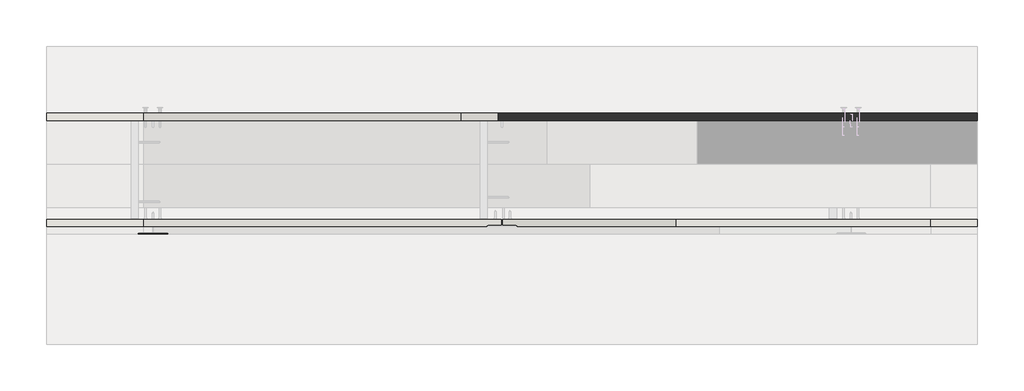
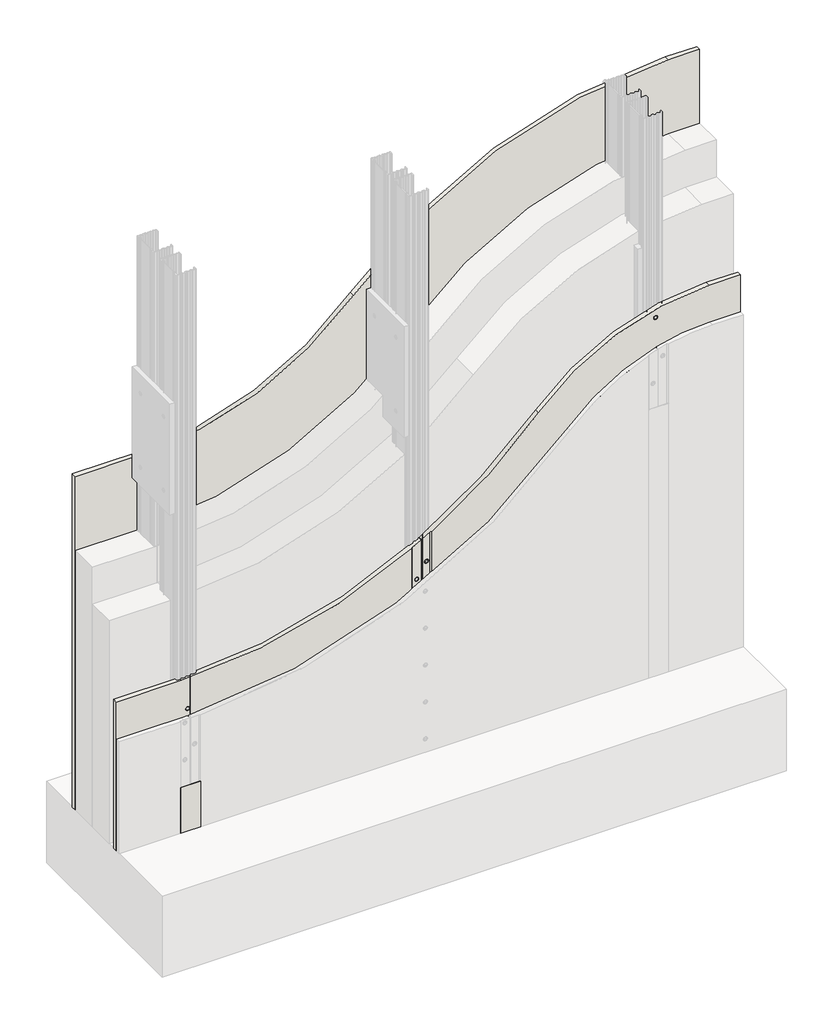
# One storey, part 1 of 4: 3 walls.
"""IFC4 building model written with IfcOpenShell, lengths in millimetres."""

from ifc_helpers import new_model, si_unit, point, frame, frame_2d, origin, origin_with_axes, place, context, project, spatial, polyline, circle_curve, ellipse_curve, trimmed, segment, composite_curve, outline, extrude, element, save
from ifc_brep_helpers import plane_surface, cylinder_surface, revolved_surface, advanced_brep

model = new_model("IFC4")

# Units and contexts
model_context = context("Model", 3, world=origin())
ifc_project = project(units=[si_unit("LENGTHUNIT", "METRE", prefix="MILLI")], contexts=[model_context])

# Site, building, storey
site = spatial("IfcSite", under=ifc_project)
building = spatial("IfcBuilding", under=site)
storey = spatial("IfcBuildingStorey", under=building, Elevation=0.0)

# Walls
placement = place(None, origin())
element("IfcWall", 1, at=placement, inside=storey, context=model_context, shape_type="SweptSolid", body=[
    extrude(outline(composite_curve([segment(polyline([(0.0, 11791.3841513), (0.0, 13391.3841513), (1500.0, 13391.3841513), (1500.0, 13311.3841513)]), True, "CONTINUOUS"), segment(trimmed(circle_curve(frame_2d((405.9831409, 13311.3841513)), 1094.0168591), [point((1500.0, 13311.3841513))], [point((1144.6111292, 12504.3515726))], False, "CARTESIAN"), True, "CONTINUOUS"), segment(trimmed(circle_curve(frame_2d((1639.9763701, 11958.7775955)), 736.9109081), [point((1144.6111292, 12504.3515726))], [point((903.065462, 11958.7775955))], True, "CARTESIAN"), True, "CONTINUOUS"), segment(polyline([(903.065462, 11958.7775955), (903.065462, 11791.3841513), (0.0, 11791.3841513)]), True, "CONTINUOUS")], self_intersect=False)), frame((0.0, 479.643389, 0.0), z_axis=(0.0, 1.0, 0.0), x_axis=(0.0, 0.0, 1.0)), (0.0, 0.0, 1.0), 12.5),
])
element("IfcWall", 2, at=placement, inside=storey, context=model_context, shape_type="AdvancedBrep", body=[
    advanced_brep(
    [(13391.3841513, 297.143389, 0.0), (13391.3841513, 297.143389, 1000.0), (13311.3841513, 297.143389, 1000.0), (12873.6769272, 297.143389, 807.5655296), (12600.3099298, 297.143389, 582.4392036), (12600.3099298, 297.143389, 0.0), (13168.8841513, 297.143389, 960.3704392), (13178.8841513, 297.143389, 960.3704392), (13168.8841513, 297.143389, 860.3704392), (13178.8841513, 297.143389, 860.3704392), (13168.8841513, 297.143389, 760.3704392), (13178.8841513, 297.143389, 760.3704392), (13168.8841513, 297.143389, 660.3704392), (13178.8841513, 297.143389, 660.3704392), (13168.8841513, 297.143389, 560.3704392), (13178.8841513, 297.143389, 560.3704392), (13168.8841513, 297.143389, 460.3704392), (13178.8841513, 297.143389, 460.3704392), (13168.8841513, 297.143389, 360.3704392), (13178.8841513, 297.143389, 360.3704392), (13168.8841513, 297.143389, 260.3704392), (13178.8841513, 297.143389, 260.3704392), (13168.8841513, 297.143389, 160.3704392), (13178.8841513, 297.143389, 160.3704392), (13168.8841513, 297.143389, 60.3704392), (13178.8841513, 297.143389, 60.3704392), (13391.3841513, 309.643389, 1000.0), (13391.3841513, 309.643389, 0.0), (12575.3099298, 309.643389, 0.0), (12575.3099298, 309.643389, 567.6720871), (12873.6769272, 309.643389, 807.5655296), (13311.3841513, 309.643389, 1000.0), (13175.4756328, 309.643389, 960.3704392), (13172.2926697, 309.643389, 960.3704392), (13175.4756328, 309.643389, 860.3704392), (13172.2926697, 309.643389, 860.3704392), (13175.4756328, 309.643389, 760.3704392), (13172.2926697, 309.643389, 760.3704392), (13175.4756328, 309.643389, 660.3704392), (13172.2926697, 309.643389, 660.3704392), (13175.4756328, 309.643389, 560.3704392), (13172.2926697, 309.643389, 560.3704392), (13175.4756328, 309.643389, 460.3704392), (13172.2926697, 309.643389, 460.3704392), (13175.4756328, 309.643389, 360.3704392), (13172.2926697, 309.643389, 360.3704392), (13175.4756328, 309.643389, 260.3704392), (13172.2926697, 309.643389, 260.3704392), (13175.4756328, 309.643389, 160.3704392), (13172.2926697, 309.643389, 160.3704392), (13175.4756328, 309.643389, 60.3704392), (13172.2926697, 309.643389, 60.3704392), (12586.174229, 309.643389, 504.1645331), (12589.4854041, 309.643389, 504.1645331), (12600.3099298, 298.143389, 0.0), (12597.154, 299.643389, 0.0), (12575.3099298, 299.643389, 0.0), (12575.3099298, 299.643389, 567.6720871), (12597.154, 299.643389, 580.5311564), (12600.3099298, 298.143389, 582.4392036), (12592.8298166, 299.643389, 504.1645331), (12582.8298166, 299.643389, 504.1645331), (13172.0185432, 298.9530311, 960.3704392), (13175.7497593, 298.9530311, 960.3704392), (13172.0185432, 298.9530311, 860.3704392), (13175.7497593, 298.9530311, 860.3704392), (13172.0185432, 298.9530311, 760.3704392), (13175.7497593, 298.9530311, 760.3704392), (13172.0185432, 298.9530311, 660.3704392), (13175.7497593, 298.9530311, 660.3704392), (13172.0185432, 298.9530311, 560.3704392), (13175.7497593, 298.9530311, 560.3704392), (13172.0185432, 298.9530311, 460.3704392), (13175.7497593, 298.9530311, 460.3704392), (13172.0185432, 298.9530311, 360.3704392), (13175.7497593, 298.9530311, 360.3704392), (13172.0185432, 298.9530311, 260.3704392), (13175.7497593, 298.9530311, 260.3704392), (13172.0185432, 298.9530311, 160.3704392), (13175.7497593, 298.9530311, 160.3704392), (13172.0185432, 298.9530311, 60.3704392), (13175.7497593, 298.9530311, 60.3704392), (12589.6954246, 301.4530311, 504.1645331), (12585.9642085, 301.4530311, 504.1645331)],
    [
        (0, 1),
        (1, 2),
        (2, 3, circle_curve(frame((13311.3841513, 297.143389, 405.9831409), z_axis=(0.0, -1.0, 0.0), x_axis=(-1.0, 0.0, 0.0)), 594.0168591)),
        (3, 4, circle_curve(frame((11958.7775955, 297.143389, 1639.9763701), z_axis=(0.0, 1.0, 0.0), x_axis=(-1.0, 0.0, 0.0)), 1236.9109081)),
        (4, 5),
        (5, 0),
        (6, 7, circle_curve(frame((13173.8841513, 297.143389, 960.3704392), z_axis=(0.0, 1.0, 0.0), x_axis=(1.0, 0.0, 0.0)), 5.0)),
        (7, 6, circle_curve(frame((13173.8841513, 297.143389, 960.3704392), z_axis=(0.0, 1.0, 0.0), x_axis=(1.0, 0.0, 0.0)), 5.0)),
        (8, 9, circle_curve(frame((13173.8841513, 297.143389, 860.3704392), z_axis=(0.0, 1.0, 0.0), x_axis=(1.0, 0.0, 0.0)), 5.0)),
        (9, 8, circle_curve(frame((13173.8841513, 297.143389, 860.3704392), z_axis=(0.0, 1.0, 0.0), x_axis=(1.0, 0.0, 0.0)), 5.0)),
        (10, 11, circle_curve(frame((13173.8841513, 297.143389, 760.3704392), z_axis=(0.0, 1.0, 0.0), x_axis=(1.0, 0.0, 0.0)), 5.0)),
        (11, 10, circle_curve(frame((13173.8841513, 297.143389, 760.3704392), z_axis=(0.0, 1.0, 0.0), x_axis=(1.0, 0.0, 0.0)), 5.0)),
        (12, 13, circle_curve(frame((13173.8841513, 297.143389, 660.3704392), z_axis=(0.0, 1.0, 0.0), x_axis=(1.0, 0.0, 0.0)), 5.0)),
        (13, 12, circle_curve(frame((13173.8841513, 297.143389, 660.3704392), z_axis=(0.0, 1.0, 0.0), x_axis=(1.0, 0.0, 0.0)), 5.0)),
        (14, 15, circle_curve(frame((13173.8841513, 297.143389, 560.3704392), z_axis=(0.0, 1.0, 0.0), x_axis=(1.0, 0.0, 0.0)), 5.0)),
        (15, 14, circle_curve(frame((13173.8841513, 297.143389, 560.3704392), z_axis=(0.0, 1.0, 0.0), x_axis=(1.0, 0.0, 0.0)), 5.0)),
        (16, 17, circle_curve(frame((13173.8841513, 297.143389, 460.3704392), z_axis=(0.0, 1.0, 0.0), x_axis=(1.0, 0.0, 0.0)), 5.0)),
        (17, 16, circle_curve(frame((13173.8841513, 297.143389, 460.3704392), z_axis=(0.0, 1.0, 0.0), x_axis=(1.0, 0.0, 0.0)), 5.0)),
        (18, 19, circle_curve(frame((13173.8841513, 297.143389, 360.3704392), z_axis=(0.0, 1.0, 0.0), x_axis=(1.0, 0.0, 0.0)), 5.0)),
        (19, 18, circle_curve(frame((13173.8841513, 297.143389, 360.3704392), z_axis=(0.0, 1.0, 0.0), x_axis=(1.0, 0.0, 0.0)), 5.0)),
        (20, 21, circle_curve(frame((13173.8841513, 297.143389, 260.3704392), z_axis=(0.0, 1.0, 0.0), x_axis=(1.0, 0.0, 0.0)), 5.0)),
        (21, 20, circle_curve(frame((13173.8841513, 297.143389, 260.3704392), z_axis=(0.0, 1.0, 0.0), x_axis=(1.0, 0.0, 0.0)), 5.0)),
        (22, 23, circle_curve(frame((13173.8841513, 297.143389, 160.3704392), z_axis=(0.0, 1.0, 0.0), x_axis=(1.0, 0.0, 0.0)), 5.0)),
        (23, 22, circle_curve(frame((13173.8841513, 297.143389, 160.3704392), z_axis=(0.0, 1.0, 0.0), x_axis=(1.0, 0.0, 0.0)), 5.0)),
        (24, 25, circle_curve(frame((13173.8841513, 297.143389, 60.3704392), z_axis=(0.0, 1.0, 0.0), x_axis=(1.0, 0.0, 0.0)), 5.0)),
        (25, 24, circle_curve(frame((13173.8841513, 297.143389, 60.3704392), z_axis=(0.0, 1.0, 0.0), x_axis=(1.0, 0.0, 0.0)), 5.0)),
        (26, 27),
        (27, 28),
        (28, 29),
        (29, 30, circle_curve(frame((11958.7775955, 309.643389, 1639.9763701), z_axis=(0.0, -1.0, 0.0), x_axis=(-1.0, 0.0, 0.0)), 1236.9109081)),
        (30, 31, circle_curve(frame((13311.3841513, 309.643389, 405.9831409), z_axis=(0.0, 1.0, 0.0), x_axis=(-1.0, 0.0, 0.0)), 594.0168591)),
        (31, 26),
        (32, 33, circle_curve(frame((13173.8841513, 309.643389, 960.3704392), z_axis=(0.0, -1.0, 0.0), x_axis=(1.0, 0.0, 0.0)), 1.5914815)),
        (33, 32, circle_curve(frame((13173.8841513, 309.643389, 960.3704392), z_axis=(0.0, -1.0, 0.0), x_axis=(1.0, 0.0, 0.0)), 1.5914815)),
        (34, 35, circle_curve(frame((13173.8841513, 309.643389, 860.3704392), z_axis=(0.0, -1.0, 0.0), x_axis=(1.0, 0.0, 0.0)), 1.5914815)),
        (35, 34, circle_curve(frame((13173.8841513, 309.643389, 860.3704392), z_axis=(0.0, -1.0, 0.0), x_axis=(1.0, 0.0, 0.0)), 1.5914815)),
        (36, 37, circle_curve(frame((13173.8841513, 309.643389, 760.3704392), z_axis=(0.0, -1.0, 0.0), x_axis=(1.0, 0.0, 0.0)), 1.5914815)),
        (37, 36, circle_curve(frame((13173.8841513, 309.643389, 760.3704392), z_axis=(0.0, -1.0, 0.0), x_axis=(1.0, 0.0, 0.0)), 1.5914815)),
        (38, 39, circle_curve(frame((13173.8841513, 309.643389, 660.3704392), z_axis=(0.0, -1.0, 0.0), x_axis=(1.0, 0.0, 0.0)), 1.5914815)),
        (39, 38, circle_curve(frame((13173.8841513, 309.643389, 660.3704392), z_axis=(0.0, -1.0, 0.0), x_axis=(1.0, 0.0, 0.0)), 1.5914815)),
        (40, 41, circle_curve(frame((13173.8841513, 309.643389, 560.3704392), z_axis=(0.0, -1.0, 0.0), x_axis=(1.0, 0.0, 0.0)), 1.5914815)),
        (41, 40, circle_curve(frame((13173.8841513, 309.643389, 560.3704392), z_axis=(0.0, -1.0, 0.0), x_axis=(1.0, 0.0, 0.0)), 1.5914815)),
        (42, 43, circle_curve(frame((13173.8841513, 309.643389, 460.3704392), z_axis=(0.0, -1.0, 0.0), x_axis=(1.0, 0.0, 0.0)), 1.5914815)),
        (43, 42, circle_curve(frame((13173.8841513, 309.643389, 460.3704392), z_axis=(0.0, -1.0, 0.0), x_axis=(1.0, 0.0, 0.0)), 1.5914815)),
        (44, 45, circle_curve(frame((13173.8841513, 309.643389, 360.3704392), z_axis=(0.0, -1.0, 0.0), x_axis=(1.0, 0.0, 0.0)), 1.5914815)),
        (45, 44, circle_curve(frame((13173.8841513, 309.643389, 360.3704392), z_axis=(0.0, -1.0, 0.0), x_axis=(1.0, 0.0, 0.0)), 1.5914815)),
        (46, 47, circle_curve(frame((13173.8841513, 309.643389, 260.3704392), z_axis=(0.0, -1.0, 0.0), x_axis=(1.0, 0.0, 0.0)), 1.5914815)),
        (47, 46, circle_curve(frame((13173.8841513, 309.643389, 260.3704392), z_axis=(0.0, -1.0, 0.0), x_axis=(1.0, 0.0, 0.0)), 1.5914815)),
        (48, 49, circle_curve(frame((13173.8841513, 309.643389, 160.3704392), z_axis=(0.0, -1.0, 0.0), x_axis=(1.0, 0.0, 0.0)), 1.5914815)),
        (49, 48, circle_curve(frame((13173.8841513, 309.643389, 160.3704392), z_axis=(0.0, -1.0, 0.0), x_axis=(1.0, 0.0, 0.0)), 1.5914815)),
        (50, 51, circle_curve(frame((13173.8841513, 309.643389, 60.3704392), z_axis=(0.0, -1.0, 0.0), x_axis=(1.0, 0.0, 0.0)), 1.5914815)),
        (51, 50, circle_curve(frame((13173.8841513, 309.643389, 60.3704392), z_axis=(0.0, -1.0, 0.0), x_axis=(1.0, 0.0, 0.0)), 1.5914815)),
        (52, 53, circle_curve(frame((12587.8298166, 309.643389, 504.1645331), z_axis=(0.0, -1.0, 0.0), x_axis=(-1.0, 0.0, 0.0)), 1.6555876)),
        (53, 52, circle_curve(frame((12587.8298166, 309.643389, 504.1645331), z_axis=(0.0, -1.0, 0.0), x_axis=(-1.0, 0.0, 0.0)), 1.6555876)),
        (27, 0),
        (5, 54),
        (54, 55),
        (55, 56),
        (56, 28),
        (26, 1),
        (31, 2),
        (30, 3),
        (29, 57),
        (57, 58, circle_curve(frame((11958.7775955, 299.643389, 1639.9763701), z_axis=(0.0, -1.0, 0.0), x_axis=(-1.0, 0.0, 0.0)), 1236.9109081)),
        (58, 59, ellipse_curve(frame((11958.7775955, 603.0609743, 1639.9763701), z_axis=(-0.42927473522914233, -0.9031739598183451, 0.0), x_axis=(-0.903173959818345, 0.42927473522914233, 0.0)), 1369.5156893, 1236.9109081)),
        (59, 4),
        (59, 54),
        (58, 55),
        (57, 56),
        (60, 61, circle_curve(frame((12587.8298166, 299.643389, 504.1645331), z_axis=(0.0, 1.0, 0.0), x_axis=(-1.0, 0.0, 0.0)), 5.0)),
        (61, 60, circle_curve(frame((12587.8298166, 299.643389, 504.1645331), z_axis=(0.0, 1.0, 0.0), x_axis=(-1.0, 0.0, 0.0)), 5.0)),
        (6, 62),
        (62, 63, circle_curve(frame((13173.8841513, 298.9530311, 960.3704392), z_axis=(0.0, 1.0, 0.0), x_axis=(1.0, 0.0, 0.0)), 1.865608)),
        (63, 7),
        (63, 62, circle_curve(frame((13173.8841513, 298.9530311, 960.3704392), z_axis=(0.0, 1.0, 0.0), x_axis=(1.0, 0.0, 0.0)), 1.865608)),
        (62, 33),
        (32, 63),
        (8, 64),
        (64, 65, circle_curve(frame((13173.8841513, 298.9530311, 860.3704392), z_axis=(0.0, 1.0, 0.0), x_axis=(1.0, 0.0, 0.0)), 1.865608)),
        (65, 9),
        (65, 64, circle_curve(frame((13173.8841513, 298.9530311, 860.3704392), z_axis=(0.0, 1.0, 0.0), x_axis=(1.0, 0.0, 0.0)), 1.865608)),
        (64, 35),
        (34, 65),
        (10, 66),
        (66, 67, circle_curve(frame((13173.8841513, 298.9530311, 760.3704392), z_axis=(0.0, 1.0, 0.0), x_axis=(1.0, 0.0, 0.0)), 1.865608)),
        (67, 11),
        (67, 66, circle_curve(frame((13173.8841513, 298.9530311, 760.3704392), z_axis=(0.0, 1.0, 0.0), x_axis=(1.0, 0.0, 0.0)), 1.865608)),
        (66, 37),
        (36, 67),
        (12, 68),
        (68, 69, circle_curve(frame((13173.8841513, 298.9530311, 660.3704392), z_axis=(0.0, 1.0, 0.0), x_axis=(1.0, 0.0, 0.0)), 1.865608)),
        (69, 13),
        (69, 68, circle_curve(frame((13173.8841513, 298.9530311, 660.3704392), z_axis=(0.0, 1.0, 0.0), x_axis=(1.0, 0.0, 0.0)), 1.865608)),
        (68, 39),
        (38, 69),
        (14, 70),
        (70, 71, circle_curve(frame((13173.8841513, 298.9530311, 560.3704392), z_axis=(0.0, 1.0, 0.0), x_axis=(1.0, 0.0, 0.0)), 1.865608)),
        (71, 15),
        (71, 70, circle_curve(frame((13173.8841513, 298.9530311, 560.3704392), z_axis=(0.0, 1.0, 0.0), x_axis=(1.0, 0.0, 0.0)), 1.865608)),
        (70, 41),
        (40, 71),
        (16, 72),
        (72, 73, circle_curve(frame((13173.8841513, 298.9530311, 460.3704392), z_axis=(0.0, 1.0, 0.0), x_axis=(1.0, 0.0, 0.0)), 1.865608)),
        (73, 17),
        (73, 72, circle_curve(frame((13173.8841513, 298.9530311, 460.3704392), z_axis=(0.0, 1.0, 0.0), x_axis=(1.0, 0.0, 0.0)), 1.865608)),
        (72, 43),
        (42, 73),
        (18, 74),
        (74, 75, circle_curve(frame((13173.8841513, 298.9530311, 360.3704392), z_axis=(0.0, 1.0, 0.0), x_axis=(1.0, 0.0, 0.0)), 1.865608)),
        (75, 19),
        (75, 74, circle_curve(frame((13173.8841513, 298.9530311, 360.3704392), z_axis=(0.0, 1.0, 0.0), x_axis=(1.0, 0.0, 0.0)), 1.865608)),
        (74, 45),
        (44, 75),
        (20, 76),
        (76, 77, circle_curve(frame((13173.8841513, 298.9530311, 260.3704392), z_axis=(0.0, 1.0, 0.0), x_axis=(1.0, 0.0, 0.0)), 1.865608)),
        (77, 21),
        (77, 76, circle_curve(frame((13173.8841513, 298.9530311, 260.3704392), z_axis=(0.0, 1.0, 0.0), x_axis=(1.0, 0.0, 0.0)), 1.865608)),
        (76, 47),
        (46, 77),
        (22, 78),
        (78, 79, circle_curve(frame((13173.8841513, 298.9530311, 160.3704392), z_axis=(0.0, 1.0, 0.0), x_axis=(1.0, 0.0, 0.0)), 1.865608)),
        (79, 23),
        (79, 78, circle_curve(frame((13173.8841513, 298.9530311, 160.3704392), z_axis=(0.0, 1.0, 0.0), x_axis=(1.0, 0.0, 0.0)), 1.865608)),
        (78, 49),
        (48, 79),
        (24, 80),
        (80, 81, circle_curve(frame((13173.8841513, 298.9530311, 60.3704392), z_axis=(0.0, 1.0, 0.0), x_axis=(1.0, 0.0, 0.0)), 1.865608)),
        (81, 25),
        (81, 80, circle_curve(frame((13173.8841513, 298.9530311, 60.3704392), z_axis=(0.0, 1.0, 0.0), x_axis=(1.0, 0.0, 0.0)), 1.865608)),
        (80, 51),
        (50, 81),
        (60, 82),
        (82, 83, circle_curve(frame((12587.8298166, 301.4530311, 504.1645331), z_axis=(0.0, 1.0, 0.0), x_axis=(-1.0, 0.0, 0.0)), 1.865608)),
        (83, 61),
        (83, 82, circle_curve(frame((12587.8298166, 301.4530311, 504.1645331), z_axis=(0.0, 1.0, 0.0), x_axis=(-1.0, 0.0, 0.0)), 1.865608)),
        (82, 53),
        (52, 83),
    ],
    [
        plane_surface(frame((11791.3841513, 297.143389, 0.0), z_axis=(0.0, -1.0, 0.0), x_axis=(1.0, 0.0, 0.0))),
        plane_surface(frame((11791.3841513, 309.643389, 0.0), z_axis=(0.0, 1.0, 0.0), x_axis=(-1.0, 0.0, 0.0))),
        plane_surface(frame((11791.3841513, 297.143389, 0.0), z_axis=(0.0, 0.0, -1.0), x_axis=(0.0, 1.0, 0.0))),
        plane_surface(frame((13391.3841513, 297.143389, 0.0), z_axis=(1.0, 0.0, 0.0), x_axis=(0.0, 1.0, 0.0))),
        plane_surface(frame((13391.3841513, 297.143389, 1000.0), z_axis=(0.0, 0.0, 1.0), x_axis=(0.0, 1.0, 0.0))),
        cylinder_surface(frame((13311.3841513, 309.643389, 405.9831409), z_axis=(0.0, -1.0, 0.0), x_axis=(-1.0, 0.0, 0.0)), 594.0168591),
        revolved_surface(polyline([(10721.8666874, 1190.959459216414, 1639.9763701), (10721.8666874, 15.162489383586149, 1639.9763701)]), (11958.7775955, 309.643389, 1639.9763701), (0.0, 1.0, 0.0)),
        plane_surface(frame((12600.3099298, 297.143389, 1000.0), z_axis=(-1.0, 0.0, 0.0), x_axis=(0.0, 0.0, -1.0))),
        plane_surface(frame((12600.3099298, 298.143389, 1000.0), z_axis=(-0.42927473522914233, -0.9031739598183451, 0.0), x_axis=(0.0, 0.0, -1.0))),
        plane_surface(frame((12597.154, 299.643389, 1000.0), z_axis=(0.0, -1.0, 0.0), x_axis=(0.0, 0.0, -1.0))),
        plane_surface(frame((12575.3099298, 299.643389, 1000.0), z_axis=(-1.0, 0.0, 0.0), x_axis=(0.0, 0.0, -1.0))),
        revolved_surface(polyline([(13178.8841513, 297.143389, 960.3704392), (13175.7497593, 298.9530311, 960.3704392)]), (13173.8841513, 1297.143389, 960.3704392), (0.0, -1.0, 0.0)),
        revolved_surface(polyline([(13175.7497593, 298.9530311, 960.3704392), (13175.1894783, 320.8028125, 960.3704392)]), (13173.8841513, 1297.143389, 960.3704392), (0.0, -1.0, 0.0)),
        revolved_surface(polyline([(13178.8841513, 297.143389, 860.3704392), (13175.7497593, 298.9530311, 860.3704392)]), (13173.8841513, 1297.143389, 860.3704392), (0.0, -1.0, 0.0)),
        revolved_surface(polyline([(13175.7497593, 298.9530311, 860.3704392), (13175.1894783, 320.8028125, 860.3704392)]), (13173.8841513, 1297.143389, 860.3704392), (0.0, -1.0, 0.0)),
        revolved_surface(polyline([(13178.8841513, 297.143389, 760.3704392), (13175.7497593, 298.9530311, 760.3704392)]), (13173.8841513, 1297.143389, 760.3704392), (0.0, -1.0, 0.0)),
        revolved_surface(polyline([(13175.7497593, 298.9530311, 760.3704392), (13175.1894783, 320.8028125, 760.3704392)]), (13173.8841513, 1297.143389, 760.3704392), (0.0, -1.0, 0.0)),
        revolved_surface(polyline([(13178.8841513, 297.143389, 660.3704392), (13175.7497593, 298.9530311, 660.3704392)]), (13173.8841513, 1297.143389, 660.3704392), (0.0, -1.0, 0.0)),
        revolved_surface(polyline([(13175.7497593, 298.9530311, 660.3704392), (13175.1894783, 320.8028125, 660.3704392)]), (13173.8841513, 1297.143389, 660.3704392), (0.0, -1.0, 0.0)),
        revolved_surface(polyline([(13178.8841513, 297.143389, 560.3704392), (13175.7497593, 298.9530311, 560.3704392)]), (13173.8841513, 1297.143389, 560.3704392), (0.0, -1.0, 0.0)),
        revolved_surface(polyline([(13175.7497593, 298.9530311, 560.3704392), (13175.1894783, 320.8028125, 560.3704392)]), (13173.8841513, 1297.143389, 560.3704392), (0.0, -1.0, 0.0)),
        revolved_surface(polyline([(13178.8841513, 297.143389, 460.3704392), (13175.7497593, 298.9530311, 460.3704392)]), (13173.8841513, 1297.143389, 460.3704392), (0.0, -1.0, 0.0)),
        revolved_surface(polyline([(13175.7497593, 298.9530311, 460.3704392), (13175.1894783, 320.8028125, 460.3704392)]), (13173.8841513, 1297.143389, 460.3704392), (0.0, -1.0, 0.0)),
        revolved_surface(polyline([(13178.8841513, 297.143389, 360.3704392), (13175.7497593, 298.9530311, 360.3704392)]), (13173.8841513, 1297.143389, 360.3704392), (0.0, -1.0, 0.0)),
        revolved_surface(polyline([(13175.7497593, 298.9530311, 360.3704392), (13175.1894783, 320.8028125, 360.3704392)]), (13173.8841513, 1297.143389, 360.3704392), (0.0, -1.0, 0.0)),
        revolved_surface(polyline([(13178.8841513, 297.143389, 260.3704392), (13175.7497593, 298.9530311, 260.3704392)]), (13173.8841513, 1297.143389, 260.3704392), (0.0, -1.0, 0.0)),
        revolved_surface(polyline([(13175.7497593, 298.9530311, 260.3704392), (13175.1894783, 320.8028125, 260.3704392)]), (13173.8841513, 1297.143389, 260.3704392), (0.0, -1.0, 0.0)),
        revolved_surface(polyline([(13178.8841513, 297.143389, 160.3704392), (13175.7497593, 298.9530311, 160.3704392)]), (13173.8841513, 1297.143389, 160.3704392), (0.0, -1.0, 0.0)),
        revolved_surface(polyline([(13175.7497593, 298.9530311, 160.3704392), (13175.1894783, 320.8028125, 160.3704392)]), (13173.8841513, 1297.143389, 160.3704392), (0.0, -1.0, 0.0)),
        revolved_surface(polyline([(13178.8841513, 297.143389, 60.3704392), (13175.7497593, 298.9530311, 60.3704392)]), (13173.8841513, 1297.143389, 60.3704392), (0.0, -1.0, 0.0)),
        revolved_surface(polyline([(13175.7497593, 298.9530311, 60.3704392), (13175.1894783, 320.8028125, 60.3704392)]), (13173.8841513, 1297.143389, 60.3704392), (0.0, -1.0, 0.0)),
        revolved_surface(polyline([(12582.8298166, 299.643389, 504.1645331), (12585.9642085, 301.4530311, 504.1645331)]), (12587.8298166, 1299.643389, 504.1645331), (0.0, -1.0, 0.0)),
        revolved_surface(polyline([(12585.9642085, 301.4530311, 504.1645331), (12586.5244895, 323.3028125, 504.1645331)]), (12587.8298166, 1299.643389, 504.1645331), (0.0, -1.0, 0.0)),
    ],
    [
        (0, [[1, 2, 3, 4, 5, 6], [7, 8], [9, 10], [11, 12], [13, 14], [15, 16], [17, 18], [19, 20], [21, 22], [23, 24], [25, 26]]),
        (1, [[27, 28, 29, 30, 31, 32], [33, 34], [35, 36], [37, 38], [39, 40], [41, 42], [43, 44], [45, 46], [47, 48], [49, 50], [51, 52], [53, 54]]),
        (2, [[55, -6, 56, 57, 58, 59, -28]]),
        (3, [[-1, -55, -27, 60]]),
        (4, [[-2, -60, -32, 61]]),
        (5, [[-3, -61, -31, 62]]),
        (6, [[-62, -30, 63, 64, 65, 66, -4]]),
        (7, [[-5, -66, 67, -56]]),
        (8, [[-67, -65, 68, -57]]),
        (9, [[-68, -64, 69, -58], [70, 71]]),
        (10, [[-29, -59, -69, -63]]),
        (11, [[72, 73, 74, -7]]),
        (11, [[-72, -8, -74, 75]]),
        (12, [[-73, 76, -33, 77]]),
        (12, [[-75, -77, -34, -76]]),
        (13, [[78, 79, 80, -9]]),
        (13, [[-78, -10, -80, 81]]),
        (14, [[-79, 82, -35, 83]]),
        (14, [[-81, -83, -36, -82]]),
        (15, [[84, 85, 86, -11]]),
        (15, [[-84, -12, -86, 87]]),
        (16, [[-85, 88, -37, 89]]),
        (16, [[-87, -89, -38, -88]]),
        (17, [[90, 91, 92, -13]]),
        (17, [[-90, -14, -92, 93]]),
        (18, [[-91, 94, -39, 95]]),
        (18, [[-93, -95, -40, -94]]),
        (19, [[96, 97, 98, -15]]),
        (19, [[-96, -16, -98, 99]]),
        (20, [[-97, 100, -41, 101]]),
        (20, [[-99, -101, -42, -100]]),
        (21, [[102, 103, 104, -17]]),
        (21, [[-102, -18, -104, 105]]),
        (22, [[-103, 106, -43, 107]]),
        (22, [[-105, -107, -44, -106]]),
        (23, [[108, 109, 110, -19]]),
        (23, [[-108, -20, -110, 111]]),
        (24, [[-109, 112, -45, 113]]),
        (24, [[-111, -113, -46, -112]]),
        (25, [[114, 115, 116, -21]]),
        (25, [[-114, -22, -116, 117]]),
        (26, [[-115, 118, -47, 119]]),
        (26, [[-117, -119, -48, -118]]),
        (27, [[120, 121, 122, -23]]),
        (27, [[-120, -24, -122, 123]]),
        (28, [[-121, 124, -49, 125]]),
        (28, [[-123, -125, -50, -124]]),
        (29, [[126, 127, 128, -25]]),
        (29, [[-126, -26, -128, 129]]),
        (30, [[-127, 130, -51, 131]]),
        (30, [[-129, -131, -52, -130]]),
        (31, [[132, 133, 134, -70]]),
        (31, [[-132, -71, -134, 135]]),
        (32, [[-133, 136, -53, 137]]),
        (32, [[-135, -137, -54, -136]]),
    ],
),
    advanced_brep(
    [(11791.3841513, 297.143389, 403.065462), (11791.3841513, 297.143389, 0.0), (12548.3099298, 297.143389, 0.0), (12548.3099298, 297.143389, 552.5940908), (11958.7775955, 297.143389, 403.065462), (11969.5091513, 297.143389, 321.2712003), (11979.5091513, 297.143389, 321.2712003), (11969.5091513, 297.143389, 221.2712003), (11979.5091513, 297.143389, 221.2712003), (11969.5091513, 297.143389, 121.2712003), (11979.5091513, 297.143389, 121.2712003), (11969.5091513, 297.143389, 21.2712003), (11979.5091513, 297.143389, 21.2712003), (11791.3841513, 309.643389, 0.0), (11791.3841513, 309.643389, 403.065462), (11958.7775955, 309.643389, 403.065462), (12573.3099298, 309.643389, 566.5246457), (12573.3099298, 309.643389, 0.0), (11976.1006328, 309.643389, 321.2712003), (11972.9176697, 309.643389, 321.2712003), (11976.1006328, 309.643389, 221.2712003), (11972.9176697, 309.643389, 221.2712003), (11976.1006328, 309.643389, 121.2712003), (11972.9176697, 309.643389, 121.2712003), (11976.1006328, 309.643389, 21.2712003), (11972.9176697, 309.643389, 21.2712003), (12561.174229, 309.643389, 464.1645331), (12564.4854041, 309.643389, 464.1645331), (12573.3099298, 299.643389, 0.0), (12551.4658596, 299.643389, 0.0), (12548.3099298, 298.143389, 0.0), (12548.3099298, 298.143389, 552.5940908), (12551.4658596, 299.643389, 554.3110367), (12573.3099298, 299.643389, 566.5246457), (12567.8298166, 299.643389, 464.1645331), (12557.8298166, 299.643389, 464.1645331), (11972.6435432, 298.9530311, 321.2712003), (11976.3747593, 298.9530311, 321.2712003), (11972.6435432, 298.9530311, 221.2712003), (11976.3747593, 298.9530311, 221.2712003), (11972.6435432, 298.9530311, 121.2712003), (11976.3747593, 298.9530311, 121.2712003), (11972.6435432, 298.9530311, 21.2712003), (11976.3747593, 298.9530311, 21.2712003), (12564.6954246, 301.4530311, 464.1645331), (12560.9642085, 301.4530311, 464.1645331)],
    [
        (0, 1),
        (1, 2),
        (2, 3),
        (3, 4, circle_curve(frame((11958.7775955, 297.143389, 1639.9763701), z_axis=(0.0, 1.0, 0.0), x_axis=(-1.0, 0.0, 0.0)), 1236.9109081)),
        (4, 0),
        (5, 6, circle_curve(frame((11974.5091513, 297.143389, 321.2712003), z_axis=(0.0, 1.0, 0.0), x_axis=(1.0, 0.0, 0.0)), 5.0)),
        (6, 5, circle_curve(frame((11974.5091513, 297.143389, 321.2712003), z_axis=(0.0, 1.0, 0.0), x_axis=(1.0, 0.0, 0.0)), 5.0)),
        (7, 8, circle_curve(frame((11974.5091513, 297.143389, 221.2712003), z_axis=(0.0, 1.0, 0.0), x_axis=(1.0, 0.0, 0.0)), 5.0)),
        (8, 7, circle_curve(frame((11974.5091513, 297.143389, 221.2712003), z_axis=(0.0, 1.0, 0.0), x_axis=(1.0, 0.0, 0.0)), 5.0)),
        (9, 10, circle_curve(frame((11974.5091513, 297.143389, 121.2712003), z_axis=(0.0, 1.0, 0.0), x_axis=(1.0, 0.0, 0.0)), 5.0)),
        (10, 9, circle_curve(frame((11974.5091513, 297.143389, 121.2712003), z_axis=(0.0, 1.0, 0.0), x_axis=(1.0, 0.0, 0.0)), 5.0)),
        (11, 12, circle_curve(frame((11974.5091513, 297.143389, 21.2712003), z_axis=(0.0, 1.0, 0.0), x_axis=(1.0, 0.0, 0.0)), 5.0)),
        (12, 11, circle_curve(frame((11974.5091513, 297.143389, 21.2712003), z_axis=(0.0, 1.0, 0.0), x_axis=(1.0, 0.0, 0.0)), 5.0)),
        (13, 14),
        (14, 15),
        (15, 16, circle_curve(frame((11958.7775955, 309.643389, 1639.9763701), z_axis=(0.0, -1.0, 0.0), x_axis=(-1.0, 0.0, 0.0)), 1236.9109081)),
        (16, 17),
        (17, 13),
        (18, 19, circle_curve(frame((11974.5091513, 309.643389, 321.2712003), z_axis=(0.0, -1.0, 0.0), x_axis=(1.0, 0.0, 0.0)), 1.5914815)),
        (19, 18, circle_curve(frame((11974.5091513, 309.643389, 321.2712003), z_axis=(0.0, -1.0, 0.0), x_axis=(1.0, 0.0, 0.0)), 1.5914815)),
        (20, 21, circle_curve(frame((11974.5091513, 309.643389, 221.2712003), z_axis=(0.0, -1.0, 0.0), x_axis=(1.0, 0.0, 0.0)), 1.5914815)),
        (21, 20, circle_curve(frame((11974.5091513, 309.643389, 221.2712003), z_axis=(0.0, -1.0, 0.0), x_axis=(1.0, 0.0, 0.0)), 1.5914815)),
        (22, 23, circle_curve(frame((11974.5091513, 309.643389, 121.2712003), z_axis=(0.0, -1.0, 0.0), x_axis=(1.0, 0.0, 0.0)), 1.5914815)),
        (23, 22, circle_curve(frame((11974.5091513, 309.643389, 121.2712003), z_axis=(0.0, -1.0, 0.0), x_axis=(1.0, 0.0, 0.0)), 1.5914815)),
        (24, 25, circle_curve(frame((11974.5091513, 309.643389, 21.2712003), z_axis=(0.0, -1.0, 0.0), x_axis=(1.0, 0.0, 0.0)), 1.5914815)),
        (25, 24, circle_curve(frame((11974.5091513, 309.643389, 21.2712003), z_axis=(0.0, -1.0, 0.0), x_axis=(1.0, 0.0, 0.0)), 1.5914815)),
        (26, 27, circle_curve(frame((12562.8298166, 309.643389, 464.1645331), z_axis=(0.0, -1.0, 0.0), x_axis=(-1.0, 0.0, 0.0)), 1.6555876)),
        (27, 26, circle_curve(frame((12562.8298166, 309.643389, 464.1645331), z_axis=(0.0, -1.0, 0.0), x_axis=(-1.0, 0.0, 0.0)), 1.6555876)),
        (1, 13),
        (17, 28),
        (28, 29),
        (29, 30),
        (30, 2),
        (0, 14),
        (15, 4),
        (3, 31),
        (31, 32, ellipse_curve(frame((11958.7775955, 17.9411821, 1639.9763701), z_axis=(0.42927473523314746, -0.9031739598164416, 0.0), x_axis=(0.9031739598164414, 0.42927473523314735, 0.0)), 1369.5156893, 1236.9109081)),
        (32, 33, circle_curve(frame((11958.7775955, 299.643389, 1639.9763701), z_axis=(0.0, -1.0, 0.0), x_axis=(-1.0, 0.0, 0.0)), 1236.9109081)),
        (33, 16),
        (33, 28),
        (32, 29),
        (34, 35, circle_curve(frame((12562.8298166, 299.643389, 464.1645331), z_axis=(0.0, 1.0, 0.0), x_axis=(-1.0, 0.0, 0.0)), 5.0)),
        (35, 34, circle_curve(frame((12562.8298166, 299.643389, 464.1645331), z_axis=(0.0, 1.0, 0.0), x_axis=(-1.0, 0.0, 0.0)), 5.0)),
        (31, 30),
        (5, 36),
        (36, 37, circle_curve(frame((11974.5091513, 298.9530311, 321.2712003), z_axis=(0.0, 1.0, 0.0), x_axis=(1.0, 0.0, 0.0)), 1.865608)),
        (37, 6),
        (37, 36, circle_curve(frame((11974.5091513, 298.9530311, 321.2712003), z_axis=(0.0, 1.0, 0.0), x_axis=(1.0, 0.0, 0.0)), 1.865608)),
        (36, 19),
        (18, 37),
        (7, 38),
        (38, 39, circle_curve(frame((11974.5091513, 298.9530311, 221.2712003), z_axis=(0.0, 1.0, 0.0), x_axis=(1.0, 0.0, 0.0)), 1.865608)),
        (39, 8),
        (39, 38, circle_curve(frame((11974.5091513, 298.9530311, 221.2712003), z_axis=(0.0, 1.0, 0.0), x_axis=(1.0, 0.0, 0.0)), 1.865608)),
        (38, 21),
        (20, 39),
        (9, 40),
        (40, 41, circle_curve(frame((11974.5091513, 298.9530311, 121.2712003), z_axis=(0.0, 1.0, 0.0), x_axis=(1.0, 0.0, 0.0)), 1.865608)),
        (41, 10),
        (41, 40, circle_curve(frame((11974.5091513, 298.9530311, 121.2712003), z_axis=(0.0, 1.0, 0.0), x_axis=(1.0, 0.0, 0.0)), 1.865608)),
        (40, 23),
        (22, 41),
        (11, 42),
        (42, 43, circle_curve(frame((11974.5091513, 298.9530311, 21.2712003), z_axis=(0.0, 1.0, 0.0), x_axis=(1.0, 0.0, 0.0)), 1.865608)),
        (43, 12),
        (43, 42, circle_curve(frame((11974.5091513, 298.9530311, 21.2712003), z_axis=(0.0, 1.0, 0.0), x_axis=(1.0, 0.0, 0.0)), 1.865608)),
        (42, 25),
        (24, 43),
        (34, 44),
        (44, 45, circle_curve(frame((12562.8298166, 301.4530311, 464.1645331), z_axis=(0.0, 1.0, 0.0), x_axis=(-1.0, 0.0, 0.0)), 1.865608)),
        (45, 35),
        (45, 44, circle_curve(frame((12562.8298166, 301.4530311, 464.1645331), z_axis=(0.0, 1.0, 0.0), x_axis=(-1.0, 0.0, 0.0)), 1.865608)),
        (44, 27),
        (26, 45),
    ],
    [
        plane_surface(frame((11791.3841513, 297.143389, 0.0), z_axis=(0.0, -1.0, 0.0), x_axis=(1.0, 0.0, 0.0))),
        plane_surface(frame((11791.3841513, 309.643389, 0.0), z_axis=(0.0, 1.0, 0.0), x_axis=(-1.0, 0.0, 0.0))),
        plane_surface(frame((11791.3841513, 297.143389, 0.0), z_axis=(0.0, 0.0, -1.0), x_axis=(0.0, 1.0, 0.0))),
        plane_surface(frame((11791.3841513, 297.143389, 403.065462), z_axis=(-1.0, 0.0, 0.0), x_axis=(0.0, 1.0, 0.0))),
        revolved_surface(polyline([(10721.8666874, 605.8396670218988, 1639.9763701), (10721.8666874, -569.9573028218988, 1639.9763701)]), (11958.7775955, 309.643389, 1639.9763701), (0.0, 1.0, 0.0)),
        plane_surface(frame((11958.7775955, 297.143389, 403.065462), z_axis=(0.0, 0.0, 1.0), x_axis=(0.0, 1.0, 0.0))),
        plane_surface(frame((12573.3099298, 309.643389, 1000.0), z_axis=(1.0, 0.0, 0.0), x_axis=(0.0, 0.0, -1.0))),
        plane_surface(frame((12573.3099298, 299.643389, 1000.0), z_axis=(0.0, -1.0, 0.0), x_axis=(0.0, 0.0, -1.0))),
        plane_surface(frame((12551.4658596, 299.643389, 1000.0), z_axis=(0.42927473523314746, -0.9031739598164416, 0.0), x_axis=(0.0, 0.0, -1.0))),
        plane_surface(frame((12548.3099298, 298.143389, 1000.0), z_axis=(1.0, 0.0, 0.0), x_axis=(0.0, 0.0, -1.0))),
        revolved_surface(polyline([(11979.5091513, 297.143389, 321.2712003), (11976.3747593, 298.9530311, 321.2712003)]), (11974.5091513, 1297.143389, 321.2712003), (0.0, -1.0, 0.0)),
        revolved_surface(polyline([(11976.3747593, 298.9530311, 321.2712003), (11975.8144783, 320.8028125, 321.2712003)]), (11974.5091513, 1297.143389, 321.2712003), (0.0, -1.0, 0.0)),
        revolved_surface(polyline([(11979.5091513, 297.143389, 221.2712003), (11976.3747593, 298.9530311, 221.2712003)]), (11974.5091513, 1297.143389, 221.2712003), (0.0, -1.0, 0.0)),
        revolved_surface(polyline([(11976.3747593, 298.9530311, 221.2712003), (11975.8144783, 320.8028125, 221.2712003)]), (11974.5091513, 1297.143389, 221.2712003), (0.0, -1.0, 0.0)),
        revolved_surface(polyline([(11979.5091513, 297.143389, 121.2712003), (11976.3747593, 298.9530311, 121.2712003)]), (11974.5091513, 1297.143389, 121.2712003), (0.0, -1.0, 0.0)),
        revolved_surface(polyline([(11976.3747593, 298.9530311, 121.2712003), (11975.8144783, 320.8028125, 121.2712003)]), (11974.5091513, 1297.143389, 121.2712003), (0.0, -1.0, 0.0)),
        revolved_surface(polyline([(11979.5091513, 297.143389, 21.2712003), (11976.3747593, 298.9530311, 21.2712003)]), (11974.5091513, 1297.143389, 21.2712003), (0.0, -1.0, 0.0)),
        revolved_surface(polyline([(11976.3747593, 298.9530311, 21.2712003), (11975.8144783, 320.8028125, 21.2712003)]), (11974.5091513, 1297.143389, 21.2712003), (0.0, -1.0, 0.0)),
        revolved_surface(polyline([(12557.8298166, 299.643389, 464.1645331), (12560.9642085, 301.4530311, 464.1645331)]), (12562.8298166, 1299.643389, 464.1645331), (0.0, -1.0, 0.0)),
        revolved_surface(polyline([(12560.9642085, 301.4530311, 464.1645331), (12561.5244895, 323.3028125, 464.1645331)]), (12562.8298166, 1299.643389, 464.1645331), (0.0, -1.0, 0.0)),
    ],
    [
        (0, [[1, 2, 3, 4, 5], [6, 7], [8, 9], [10, 11], [12, 13]]),
        (1, [[14, 15, 16, 17, 18], [19, 20], [21, 22], [23, 24], [25, 26], [27, 28]]),
        (2, [[29, -18, 30, 31, 32, 33, -2]]),
        (3, [[-1, 34, -14, -29]]),
        (4, [[35, -4, 36, 37, 38, 39, -16]]),
        (5, [[-5, -35, -15, -34]]),
        (6, [[-17, -39, 40, -30]]),
        (7, [[-40, -38, 41, -31], [42, 43]]),
        (8, [[44, -32, -41, -37]]),
        (9, [[-3, -33, -44, -36]]),
        (10, [[45, 46, 47, -6]]),
        (10, [[-45, -7, -47, 48]]),
        (11, [[-46, 49, -19, 50]]),
        (11, [[-48, -50, -20, -49]]),
        (12, [[51, 52, 53, -8]]),
        (12, [[-51, -9, -53, 54]]),
        (13, [[-52, 55, -21, 56]]),
        (13, [[-54, -56, -22, -55]]),
        (14, [[57, 58, 59, -10]]),
        (14, [[-57, -11, -59, 60]]),
        (15, [[-58, 61, -23, 62]]),
        (15, [[-60, -62, -24, -61]]),
        (16, [[63, 64, 65, -12]]),
        (16, [[-63, -13, -65, 66]]),
        (17, [[-64, 67, -25, 68]]),
        (17, [[-66, -68, -26, -67]]),
        (18, [[69, 70, 71, -42]]),
        (18, [[-69, -43, -71, 72]]),
        (19, [[-70, 73, -27, 74]]),
        (19, [[-72, -74, -28, -73]]),
    ],
),
])
element("IfcWall", 3, at=placement, inside=storey, context=model_context, shape_type="SweptSolid", body=[
    extrude(outline(polyline([(11948.4841513, 285.643389), (12000.4841513, 285.643389), (12000.4841513, 284.643389), (11948.4841513, 284.643389), (11948.4841513, 285.643389)])), origin_with_axes(), (0.0, 0.0, 1.0), 123.1),
])

save(model, "model.ifc")
